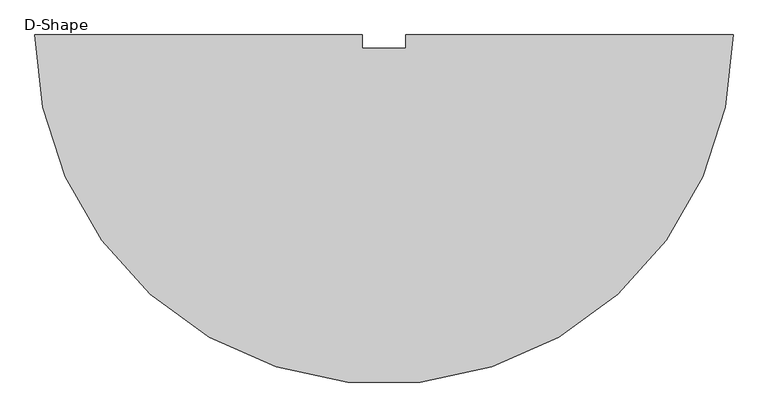
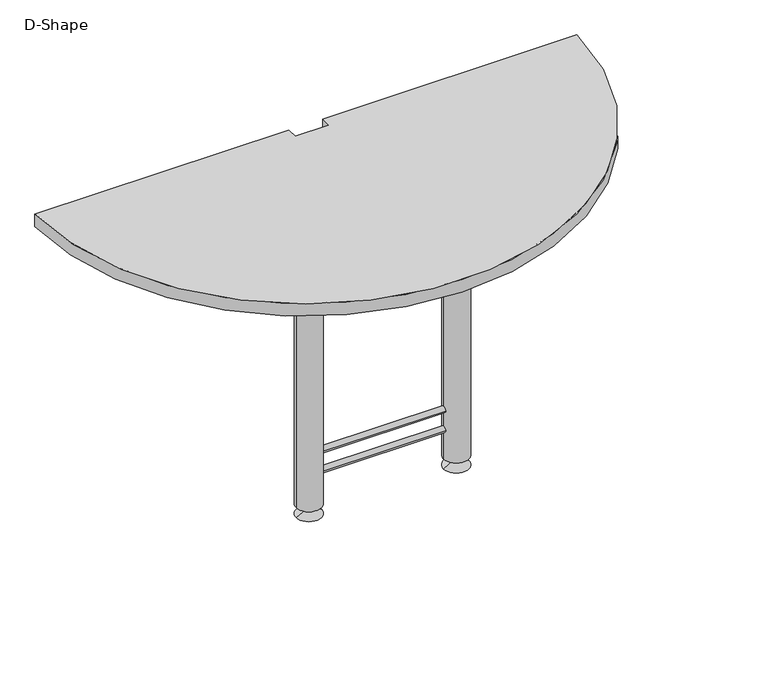
"""IFC4 building model written with IfcOpenShell, lengths in millimetres: furniture geometry, D-Shape."""

from ifc_helpers import new_model, si_unit, point, frame, frame_2d, origin, place, context, project, spatial, polyline, circle_curve, trimmed, segment, composite_curve, outline, extrude, source, transform, mapped, element, save
from ifc_brep_helpers import plane_surface, cylinder_surface, revolved_surface, advanced_brep


def d_shape_57437cf2(model_context):
    return source(origin(), model_context, "Body", "SolidModel", [
        extrude(outline(composite_curve([segment(trimmed(circle_curve(frame_2d((0.0, 152.4001768)), 7.6147817), [point((7.6147817, 152.4001768))], [point((-7.6147817, 152.4001768))], False, "CARTESIAN"), True, "CONTINUOUS"), segment(trimmed(circle_curve(frame_2d((0.0, 152.4001768)), 7.6147817), [point((-7.6147817, 152.4001768))], [point((7.6147817, 152.4001768))], False, "CARTESIAN"), True, "CONTINUOUS")], self_intersect=False)), frame((-153.2688357, 0.0, 0.0), z_axis=(1.0, 0.0, 0.0), x_axis=(0.0, 1.0, 0.0)), (0.0, 0.0, 1.0), 306.0663606),
        extrude(outline(composite_curve([segment(trimmed(circle_curve(frame_2d((0.0, 101.6001798)), 7.6147817), [point((7.6147817, 101.6001798))], [point((-7.6147817, 101.6001798))], False, "CARTESIAN"), True, "CONTINUOUS"), segment(trimmed(circle_curve(frame_2d((0.0, 101.6001798)), 7.6147817), [point((-7.6147817, 101.6001798))], [point((7.6147817, 101.6001798))], False, "CARTESIAN"), True, "CONTINUOUS")], self_intersect=False)), frame((-153.2688357, 0.0, 0.0), z_axis=(1.0, 0.0, 0.0), x_axis=(0.0, 1.0, 0.0)), (0.0, 0.0, 1.0), 306.0663606),
        extrude(outline(composite_curve([segment(trimmed(circle_curve(frame_2d((0.0, 596.9001889)), 7.6147817), [point((7.6147817, 596.9001889))], [point((-7.6147817, 596.9001889))], False, "CARTESIAN"), True, "CONTINUOUS"), segment(trimmed(circle_curve(frame_2d((0.0, 596.9001889)), 7.6147817), [point((-7.6147817, 596.9001889))], [point((7.6147817, 596.9001889))], False, "CARTESIAN"), True, "CONTINUOUS")], self_intersect=False)), frame((-153.2688357, 0.0, 0.0), z_axis=(1.0, 0.0, 0.0), x_axis=(0.0, 1.0, 0.0)), (0.0, 0.0, 1.0), 306.0663606),
        extrude(outline(composite_curve([segment(trimmed(circle_curve(frame_2d((0.0, 546.1001919)), 7.6147817), [point((7.6147817, 546.1001919))], [point((-7.6147817, 546.1001919))], False, "CARTESIAN"), True, "CONTINUOUS"), segment(trimmed(circle_curve(frame_2d((0.0, 546.1001919)), 7.6147817), [point((-7.6147817, 546.1001919))], [point((7.6147817, 546.1001919))], False, "CARTESIAN"), True, "CONTINUOUS")], self_intersect=False)), frame((-153.2688357, 0.0, 0.0), z_axis=(1.0, 0.0, 0.0), x_axis=(0.0, 1.0, 0.0)), (0.0, 0.0, 1.0), 306.0663606),
        advanced_brep(
        [(-208.4111825, 0.0, 0.0), (-147.0955937, 0.0, 0.0), (-177.7533881, 0.0, 0.0), (-186.9481757, 0.0, 12.7000004), (-168.5586005, 0.0, 12.7000004), (-186.9481757, 0.0, 25.4000008), (-168.5586005, 0.0, 25.4000008), (-208.3857843, 0.0, 25.4000008), (-147.1209919, 0.0, 25.4000008), (-208.3857843, 0.0, 704.85), (-147.1209919, 0.0, 704.85), (-177.7533881, 0.0, 704.85)],
        [
            (0, 1, circle_curve(frame((-177.7533881, 0.0, 0.0), z_axis=(0.0, 0.0, -1.0), x_axis=(1.0, 0.0, 0.0)), 30.6577944)),
            (1, 2),
            (2, 0),
            (1, 0, circle_curve(frame((-177.7533881, 0.0, 0.0), z_axis=(0.0, 0.0, -1.0), x_axis=(1.0, 0.0, 0.0)), 30.6577944)),
            (3, 4, circle_curve(frame((-177.7533881, 0.0, 12.7000004), z_axis=(0.0, 0.0, -1.0), x_axis=(1.0, 0.0, 0.0)), 9.1947876)),
            (4, 1),
            (0, 3),
            (4, 3, circle_curve(frame((-177.7533881, 0.0, 12.7000004), z_axis=(0.0, 0.0, -1.0), x_axis=(1.0, 0.0, 0.0)), 9.1947876)),
            (5, 6, circle_curve(frame((-177.7533881, 0.0, 25.4000008), z_axis=(0.0, 0.0, -1.0), x_axis=(1.0, 0.0, 0.0)), 9.1947876)),
            (6, 4),
            (3, 5),
            (6, 5, circle_curve(frame((-177.7533881, 0.0, 25.4000008), z_axis=(0.0, 0.0, -1.0), x_axis=(1.0, 0.0, 0.0)), 9.1947876)),
            (7, 8, circle_curve(frame((-177.7533881, 0.0, 25.4000008), z_axis=(0.0, 0.0, -1.0), x_axis=(1.0, 0.0, 0.0)), 30.6323962)),
            (8, 6),
            (5, 7),
            (8, 7, circle_curve(frame((-177.7533881, 0.0, 25.4000008), z_axis=(0.0, 0.0, -1.0), x_axis=(1.0, 0.0, 0.0)), 30.6323962)),
            (9, 10, circle_curve(frame((-177.7533881, 0.0, 704.85), z_axis=(0.0, 0.0, -1.0), x_axis=(1.0, 0.0, 0.0)), 30.6323962)),
            (10, 8),
            (7, 9),
            (10, 9, circle_curve(frame((-177.7533881, 0.0, 704.85), z_axis=(0.0, 0.0, -1.0), x_axis=(1.0, 0.0, 0.0)), 30.6323962)),
            (11, 10),
            (9, 11),
        ],
        [
            plane_surface(frame((-177.7533881, 0.0, 0.0), z_axis=(0.0, 0.0, -1.0), x_axis=(1.0, 0.0, 0.0))),
            revolved_surface(polyline([(-147.0955937, 0.0, 0.0), (-168.5586005, 0.0, 12.7000004)]), (-177.7533881, 0.0, 704.85), (0.0, 0.0, 1.0)),
            cylinder_surface(frame((-177.7533881, 0.0, 704.85), z_axis=(0.0, 0.0, 1.0), x_axis=(1.0, 0.0, 0.0)), 9.1947876),
            plane_surface(frame((-177.7533881, 0.0, 25.4000008), z_axis=(0.0, 0.0, -1.0), x_axis=(1.0, 0.0, 0.0))),
            cylinder_surface(frame((-177.7533881, 0.0, 704.85), z_axis=(0.0, 0.0, 1.0), x_axis=(1.0, 0.0, 0.0)), 30.6323962),
            plane_surface(frame((-177.7533881, 0.0, 704.85), z_axis=(0.0, 0.0, 1.0), x_axis=(1.0, 0.0, 0.0))),
        ],
        [
            (0, [[1, 2, 3]]),
            (0, [[4, -3, -2]]),
            (1, [[5, 6, -1, 7]]),
            (1, [[8, -7, -4, -6]]),
            (2, [[9, 10, -5, 11]]),
            (2, [[12, -11, -8, -10]]),
            (3, [[13, 14, -9, 15]]),
            (3, [[16, -15, -12, -14]]),
            (4, [[17, 18, -13, 19]]),
            (4, [[20, -19, -16, -18]]),
            (5, [[21, -17, 22]]),
            (5, [[-22, -20, -21]]),
        ],
    ),
        advanced_brep(
        [(147.1887964, 0.0, 0.0), (208.5044124, 0.0, 0.0), (177.8466044, 0.0, 0.0), (168.6518031, 0.0, 12.7000004), (187.0414056, 0.0, 12.7000004), (168.6518031, 0.0, 25.4000008), (187.0414056, 0.0, 25.4000008), (147.1887964, 0.0, 25.4000008), (208.5044124, 0.0, 25.4000008), (147.1887964, 0.0, 704.85), (208.5044124, 0.0, 704.85), (177.8466044, 0.0, 704.85)],
        [
            (0, 1, circle_curve(frame((177.8466044, 0.0, 0.0), z_axis=(0.0, 0.0, -1.0), x_axis=(1.0, 0.0, 0.0)), 30.657808)),
            (1, 2),
            (2, 0),
            (1, 0, circle_curve(frame((177.8466044, 0.0, 0.0), z_axis=(0.0, 0.0, -1.0), x_axis=(1.0, 0.0, 0.0)), 30.657808)),
            (3, 4, circle_curve(frame((177.8466044, 0.0, 12.7000004), z_axis=(0.0, 0.0, -1.0), x_axis=(1.0, 0.0, 0.0)), 9.1948012)),
            (4, 1),
            (0, 3),
            (4, 3, circle_curve(frame((177.8466044, 0.0, 12.7000004), z_axis=(0.0, 0.0, -1.0), x_axis=(1.0, 0.0, 0.0)), 9.1948012)),
            (5, 6, circle_curve(frame((177.8466044, 0.0, 25.4000008), z_axis=(0.0, 0.0, -1.0), x_axis=(1.0, 0.0, 0.0)), 9.1948012)),
            (6, 4),
            (3, 5),
            (6, 5, circle_curve(frame((177.8466044, 0.0, 25.4000008), z_axis=(0.0, 0.0, -1.0), x_axis=(1.0, 0.0, 0.0)), 9.1948012)),
            (7, 8, circle_curve(frame((177.8466044, 0.0, 25.4000008), z_axis=(0.0, 0.0, -1.0), x_axis=(1.0, 0.0, 0.0)), 30.657808)),
            (8, 6),
            (5, 7),
            (8, 7, circle_curve(frame((177.8466044, 0.0, 25.4000008), z_axis=(0.0, 0.0, -1.0), x_axis=(1.0, 0.0, 0.0)), 30.657808)),
            (9, 10, circle_curve(frame((177.8466044, 0.0, 704.85), z_axis=(0.0, 0.0, -1.0), x_axis=(1.0, 0.0, 0.0)), 30.657808)),
            (10, 8),
            (7, 9),
            (10, 9, circle_curve(frame((177.8466044, 0.0, 704.85), z_axis=(0.0, 0.0, -1.0), x_axis=(1.0, 0.0, 0.0)), 30.657808)),
            (11, 10),
            (9, 11),
        ],
        [
            plane_surface(frame((177.8466044, 0.0, 0.0), z_axis=(0.0, 0.0, -1.0), x_axis=(1.0, 0.0, 0.0))),
            revolved_surface(polyline([(208.5044124, 0.0, 0.0), (187.0414056, 0.0, 12.7000004)]), (177.8466044, 0.0, 704.85), (0.0, 0.0, 1.0)),
            cylinder_surface(frame((177.8466044, 0.0, 704.85), z_axis=(0.0, 0.0, 1.0), x_axis=(1.0, 0.0, 0.0)), 9.1948012),
            plane_surface(frame((177.8466044, 0.0, 25.4000008), z_axis=(0.0, 0.0, -1.0), x_axis=(1.0, 0.0, 0.0))),
            cylinder_surface(frame((177.8466044, 0.0, 704.85), z_axis=(0.0, 0.0, 1.0), x_axis=(1.0, 0.0, 0.0)), 30.657808),
            plane_surface(frame((177.8466044, 0.0, 704.85), z_axis=(0.0, 0.0, 1.0), x_axis=(1.0, 0.0, 0.0))),
        ],
        [
            (0, [[1, 2, 3]]),
            (0, [[4, -3, -2]]),
            (1, [[5, 6, -1, 7]]),
            (1, [[8, -7, -4, -6]]),
            (2, [[9, 10, -5, 11]]),
            (2, [[12, -11, -8, -10]]),
            (3, [[13, 14, -9, 15]]),
            (3, [[16, -15, -12, -14]]),
            (4, [[17, 18, -13, 19]]),
            (4, [[20, -19, -16, -18]]),
            (5, [[21, -17, 22]]),
            (5, [[-22, -20, -21]]),
        ],
    ),
        extrude(outline(composite_curve([segment(polyline([(-40.6400004, 320.662827), (-40.6400004, 295.2628262), (40.6400004, 295.2628262), (40.6400004, 320.662827), (654.0500002, 320.662827)]), True, "CONTINUOUS"), segment(trimmed(circle_curve(frame_2d((-1.19e-05, 320.662827)), 654.0500121), [point((654.0500002, 320.662827))], [point((-654.050024, 320.662827))], False, "CARTESIAN"), True, "CONTINUOUS"), segment(polyline([(-654.050024, 320.662827), (-40.6400004, 320.662827)]), True, "CONTINUOUS")], self_intersect=False)), frame((0.0, 0.0, 704.85), z_axis=(0.0, 0.0, 1.0), x_axis=(1.0, 0.0, 0.0)), (0.0, 0.0, 1.0), 31.7500242),
    ])


if __name__ == "__main__":
    model = new_model("IFC4")
    model_context = context("Model", 3, world=origin())
    ifc_project = project(units=[si_unit("LENGTHUNIT", "METRE", prefix="MILLI")], contexts=[model_context])
    site = spatial("IfcSite", under=ifc_project)
    building = spatial("IfcBuilding", under=site)
    placement = place(None, origin())
    d_shape_shape = d_shape_57437cf2(model_context)
    element("IfcFurniture", 1, ObjectType="D-Shape", at=placement, inside=building, context=model_context, shape_type="MappedRepresentation", body=[
        mapped(d_shape_shape, transform((0.0, 0.0, 0.0), x_axis=(1.0, 0.0, 0.0), y_axis=(0.0, 1.0, 0.0), z_axis=(0.0, 0.0, 1.0))),
    ])
    save(model, "model.ifc")
